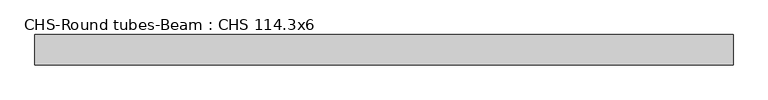
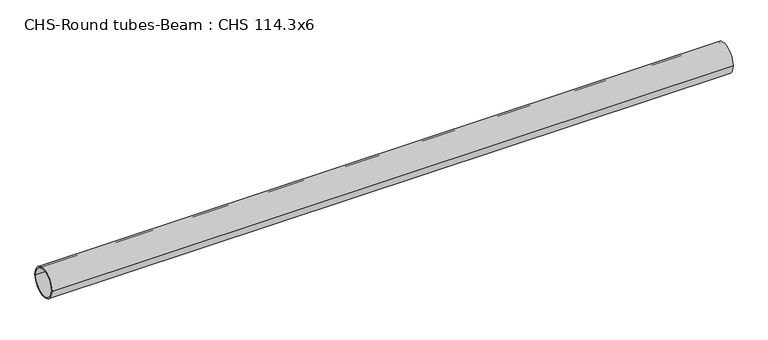
"""IFC4 building model written with IfcOpenShell, lengths in millimetres: beam geometry, CHS-Round tubes-Beam : CHS 114.3x6."""

import ifcopenshell
import ifcopenshell.guid

model = None  # the IFC model being written
_history = None  # IfcOwnerHistory: only IFC2X3 demands one
_inside = {}  # id of a spatial element -> (the spatial element, [elements in it])
_under = {}  # id of a project, library or spatial element -> (it, [spatial elements below it])
_declared = {}  # id of a project -> (the project, [libraries it declares])
_typed = {}  # id of a type object -> (the type object, [elements of that type])
_made_of = {}  # id of a material, layer set ... -> (it, [elements and type objects made of it])


def new_model(schema):
    """Start an empty IFC model of exactly this schema.

    Asked for "IFC4X3", IfcOpenShell would pick the latest addendum, in which some entities
    have other attributes; the version numbers below select the first issue.
    IFC2X3 requires an IfcOwnerHistory on every rooted entity: one is made here for all.
    """
    global model, _history
    if schema == "IFC4X3":
        model = ifcopenshell.file(schema_version=(4, 3, 0, 0))
    else:
        model = ifcopenshell.file(schema=schema)
    _inside.clear()
    _under.clear()
    _declared.clear()
    _typed.clear()
    _made_of.clear()
    _history = None
    if model.schema == "IFC2X3":
        org = make("IfcOrganization", Name="unknown")
        user = make(
            "IfcPersonAndOrganization",
            ThePerson=make("IfcPerson", FamilyName="unknown"),
            TheOrganization=org,
        )
        app = make(
            "IfcApplication",
            ApplicationDeveloper=org,
            Version="unknown",
            ApplicationFullName="unknown",
            ApplicationIdentifier="unknown",
        )
        _history = make(
            "IfcOwnerHistory",
            OwningUser=user,
            OwningApplication=app,
            ChangeAction="ADDED",
            CreationDate=0,
        )
    return model


def make(cls, **values):
    """One entity of the class cls with the attributes given. An attribute that is None is left unset."""
    return model.create_entity(
        cls, **{name: value for name, value in values.items() if value is not None}
    )


def rooted(cls, **values):
    """An entity with a GlobalId (a new one), such as an element, a storey or a relation."""
    return make(cls, GlobalId=ifcopenshell.guid.new(), OwnerHistory=_history, **values)


def si_unit(unit_type, name, prefix=None):
    """IfcSIUnit, for example si_unit("LENGTHUNIT", "METRE", prefix="MILLI")."""
    return make("IfcSIUnit", UnitType=unit_type, Prefix=prefix, Name=name)


def assignment(units):
    """IfcUnitAssignment: the units of a project."""
    return None if units is None else make("IfcUnitAssignment", Units=units)


def point(xyz):
    """IfcCartesianPoint."""
    return None if xyz is None else make("IfcCartesianPoint", Coordinates=xyz)


def direction(xyz):
    """IfcDirection."""
    return None if xyz is None else make("IfcDirection", DirectionRatios=xyz)


def frame(location, z_axis=None, x_axis=None):
    """IfcAxis2Placement3D, a coordinate frame: its origin and axes. An axis left out is left unset."""
    return make(
        "IfcAxis2Placement3D",
        Location=point(location),
        Axis=direction(z_axis),
        RefDirection=direction(x_axis),
    )


def frame_2d(location, x_axis=None):
    """IfcAxis2Placement2D, a coordinate frame in the plane: its origin and x axis."""
    return make(
        "IfcAxis2Placement2D", Location=point(location), RefDirection=direction(x_axis)
    )


def origin():
    """The frame at (0, 0, 0) with its axes left unset."""
    return frame((0.0, 0.0, 0.0))


def origin_2d():
    """The frame at (0, 0) in the plane with its x axis left unset."""
    return frame_2d((0.0, 0.0))


def place(relative_to, where):
    """IfcLocalPlacement: puts the frame where relative to a parent placement (None: the world)."""
    return make(
        "IfcLocalPlacement", PlacementRelTo=relative_to, RelativePlacement=where
    )


def context(
    kind, dimensions, precision=None, world=None, true_north=None, identifier=None
):
    """IfcGeometricRepresentationContext, for example the 3D "Model" context."""
    return make(
        "IfcGeometricRepresentationContext",
        ContextIdentifier=identifier,
        ContextType=kind,
        CoordinateSpaceDimension=dimensions,
        Precision=precision,
        WorldCoordinateSystem=world,
        TrueNorth=true_north,
    )


def project(units=None, contexts=None):
    """IfcProject with its units and contexts."""
    return rooted(
        "IfcProject",
        Name="project",
        RepresentationContexts=contexts,
        UnitsInContext=assignment(units),
    )


def spatial(cls, under=None, at=None, **own):
    """A site, building, storey or space (cls), placed at a placement, below another one or the project."""
    s = rooted(cls, ObjectPlacement=at, **own)
    if under is not None:
        _under.setdefault(under.id(), (under, []))[1].append(s)
    return s


def circle_curve(where, radius):
    """IfcCircle in the frame where."""
    return make("IfcCircle", Position=where, Radius=radius)


def trimmed(basis, trim1, trim2, sense, master):
    """IfcTrimmedCurve: the piece of a basis curve between two trims."""
    return make(
        "IfcTrimmedCurve",
        BasisCurve=basis,
        Trim1=trim1,
        Trim2=trim2,
        SenseAgreement=sense,
        MasterRepresentation=master,
    )


def segment(curve, same_sense, transition):
    """IfcCompositeCurveSegment."""
    return make(
        "IfcCompositeCurveSegment",
        Transition=transition,
        SameSense=same_sense,
        ParentCurve=curve,
    )


def composite_curve(segments, self_intersect=None):
    """IfcCompositeCurve: segments joined end to end."""
    return make("IfcCompositeCurve", Segments=segments, SelfIntersect=self_intersect)


def outline(outer, holes=None, kind="AREA"):
    """IfcArbitraryClosedProfileDef: a profile drawn as a closed curve; with holes, ...WithVoids."""
    if holes is None:
        return make("IfcArbitraryClosedProfileDef", ProfileType=kind, OuterCurve=outer)
    return make(
        "IfcArbitraryProfileDefWithVoids",
        ProfileType=kind,
        OuterCurve=outer,
        InnerCurves=holes,
    )


def extrude(swept, where, along, depth):
    """IfcExtrudedAreaSolid: the profile swept, set in the frame where, extruded along a direction by depth."""
    return make(
        "IfcExtrudedAreaSolid",
        SweptArea=swept,
        Position=where,
        ExtrudedDirection=direction(along),
        Depth=depth,
    )


def shape(context_of_items, identifier, shape_type, items):
    """IfcShapeRepresentation: the items that make up one representation, for example the "Body"."""
    return make(
        "IfcShapeRepresentation",
        ContextOfItems=context_of_items,
        RepresentationIdentifier=identifier,
        RepresentationType=shape_type,
        Items=items,
    )


def source(mapping_origin, context_of_items, identifier, shape_type, items):
    """IfcRepresentationMap: a shape defined once, which mapped items show again and again."""
    return make(
        "IfcRepresentationMap",
        MappingOrigin=mapping_origin,
        MappedRepresentation=shape(context_of_items, identifier, shape_type, items),
    )


def transform(
    local_origin,
    x_axis=None,
    y_axis=None,
    z_axis=None,
    scale=None,
    scale2=None,
    scale3=None,
    uniform=True,
):
    """IfcCartesianTransformationOperator3D, or its non-uniform kind. x_axis, y_axis, z_axis: its Axis1, 2, 3."""
    if uniform:
        return make(
            "IfcCartesianTransformationOperator3D",
            Axis1=direction(x_axis),
            Axis2=direction(y_axis),
            LocalOrigin=point(local_origin),
            Scale=scale,
            Axis3=direction(z_axis),
        )
    return make(
        "IfcCartesianTransformationOperator3DnonUniform",
        Axis1=direction(x_axis),
        Axis2=direction(y_axis),
        LocalOrigin=point(local_origin),
        Scale=scale,
        Axis3=direction(z_axis),
        Scale2=scale2,
        Scale3=scale3,
    )


def mapped(mapping_source, mapping_target):
    """IfcMappedItem: shows the shape of a source again, moved by a transform."""
    return make(
        "IfcMappedItem", MappingSource=mapping_source, MappingTarget=mapping_target
    )


def made_of(thing, what):
    """Note that an element or type object is made of a material, layer set ...; save() writes the relation."""
    if what is not None:
        _made_of.setdefault(what.id(), (what, []))[1].append(thing)
    return thing


def element(
    cls,
    number,
    at=None,
    inside=None,
    cuts=None,
    type_object=None,
    material=None,
    context=None,
    identifier="Body",
    shape_type=None,
    held_by="IfcProductDefinitionShape",
    body=None,
    shapes=None,
    **own,
):
    """One element of the class cls, such as IfcWall. Its Tag is "e" and its number.

    at: its placement. inside: the storey or other place that contains it. cuts: it is an
    opening in that element (IfcRelVoidsElement). A single representation is given by context,
    identifier, shape_type and body (its items); several are given by shapes. held_by: the class
    of the entity that holds the representations. save() writes the other relations.
    """
    e = rooted(cls, Tag="e%d" % number, ObjectPlacement=at, **own)
    if body is not None:
        shapes = [shape(context, identifier, shape_type, body)]
    if shapes is not None:
        e.Representation = make(held_by, Representations=shapes)
    if inside is not None:
        _inside.setdefault(inside.id(), (inside, []))[1].append(e)
    if cuts is not None:
        rooted(
            "IfcRelVoidsElement", RelatingBuildingElement=cuts, RelatedOpeningElement=e
        )
    if type_object is not None:
        _typed.setdefault(type_object.id(), (type_object, []))[1].append(e)
    return made_of(e, material)


def aggregate(whole, parts):
    """IfcRelAggregates: a whole, such as a stair, and the parts it consists of."""
    return rooted("IfcRelAggregates", RelatingObject=whole, RelatedObjects=parts)


def save(model, path):
    """Write the relations noted so far, then the file.

    IfcRelAggregates (storeys below a building ...), IfcRelContainedInSpatialStructure (elements
    in a storey), IfcRelDefinesByType, IfcRelAssociatesMaterial and IfcRelDeclares: one each for
    every whole, place, type object, material and project.
    """
    for whole, parts in _under.values():
        aggregate(whole, parts)
    for where, things in _inside.values():
        rooted(
            "IfcRelContainedInSpatialStructure",
            RelatedElements=things,
            RelatingStructure=where,
        )
    for kind, things in _typed.values():
        rooted("IfcRelDefinesByType", RelatedObjects=things, RelatingType=kind)
    for what, things in _made_of.values():
        rooted("IfcRelAssociatesMaterial", RelatedObjects=things, RelatingMaterial=what)
    for by, libraries in _declared.values():
        rooted("IfcRelDeclares", RelatingContext=by, RelatedDefinitions=libraries)
    model.write(path)


def chs_round_tubes_beam_chs_114_3x6_d723eb5a(model_context):
    return source(origin(), model_context, "Body", "SweptSolid", [
        extrude(outline(composite_curve([segment(trimmed(circle_curve(origin_2d(), 57.15), [point((57.15, 0.0))], [point((-57.15, 0.0))], False, "CARTESIAN"), True, "CONTINUOUS"), segment(trimmed(circle_curve(origin_2d(), 57.15), [point((-57.15, 0.0))], [point((57.15, 0.0))], False, "CARTESIAN"), True, "CONTINUOUS")], self_intersect=False), holes=[composite_curve([segment(trimmed(circle_curve(origin_2d(), 51.15), [point((51.15, 0.0))], [point((-51.15, 0.0))], True, "CARTESIAN"), True, "CONTINUOUS"), segment(trimmed(circle_curve(origin_2d(), 51.15), [point((-51.15, 0.0))], [point((51.15, 0.0))], True, "CARTESIAN"), True, "CONTINUOUS")], self_intersect=False)]), frame((-1243.2392393, 0.0, 0.0), z_axis=(1.0, 0.0, 0.0), x_axis=(0.0, 1.0, 0.0)), (0.0, 0.0, 1.0), 2622.8749538),
    ])


if __name__ == "__main__":
    model = new_model("IFC4")
    model_context = context("Model", 3, world=origin())
    ifc_project = project(units=[si_unit("LENGTHUNIT", "METRE", prefix="MILLI")], contexts=[model_context])
    site = spatial("IfcSite", under=ifc_project)
    building = spatial("IfcBuilding", under=site)
    placement = place(None, origin())
    chs_round_tubes_beam_chs_114_3x6_shape = chs_round_tubes_beam_chs_114_3x6_d723eb5a(model_context)
    element("IfcBeam", 1, ObjectType="CHS-Round tubes-Beam : CHS 114.3x6", at=placement, inside=building, context=model_context, shape_type="MappedRepresentation", body=[
        mapped(chs_round_tubes_beam_chs_114_3x6_shape, transform((0.0, 0.0, 0.0), x_axis=(1.0, 0.0, 0.0), y_axis=(0.0, 1.0, 0.0), z_axis=(0.0, 0.0, 1.0))),
    ])
    save(model, "model.ifc")
